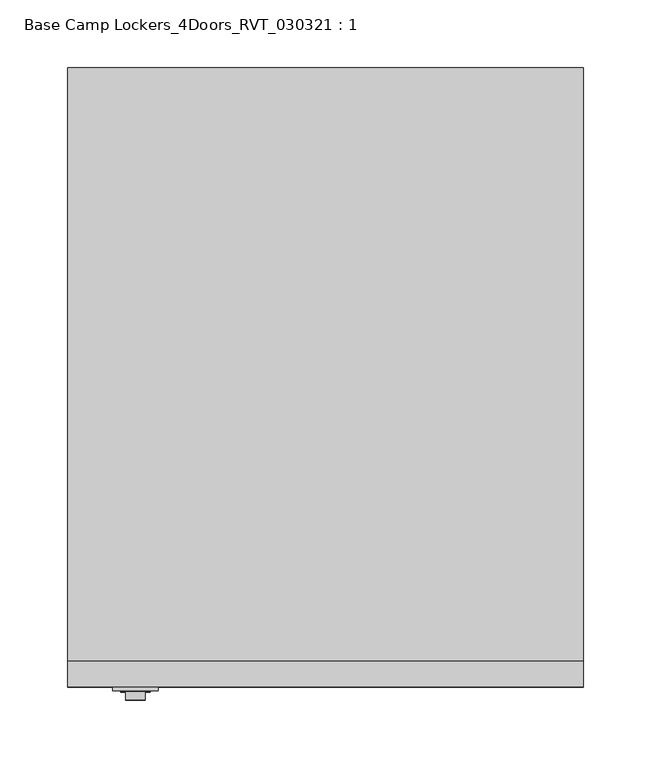
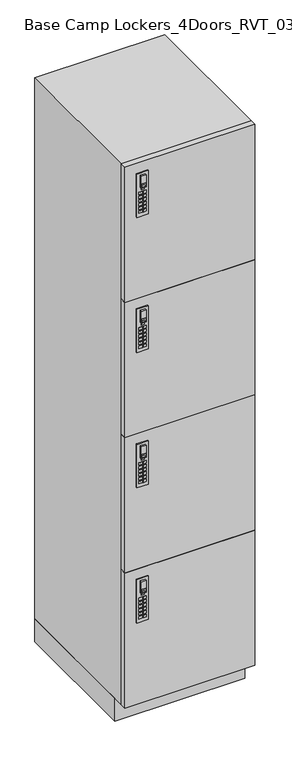
"""IFC4 building model written with IfcOpenShell, lengths in millimetres: furniture geometry, Base Camp Lockers_4Doors_RVT_030321 : 1."""

from ifc_helpers import new_model, si_unit, point, frame, frame_2d, origin, origin_with_axes, place, context, project, spatial, polyline, circle_curve, trimmed, segment, composite_curve, outline, extrude, source, transform, mapped, element, save


def base_camp_lockers_4doors_rvt_030321_1_73919dbb(model_context):
    return source(origin(), model_context, "Body", "SweptSolid", [
        extrude(outline(polyline([(-335.5659847, -459.994), (-326.1679847, -459.994), (-326.1679847, -460.8078831), (-335.5659847, -460.8078831), (-335.5659847, -459.994)])), frame((0.0, 0.0, 406.8907206), z_axis=(0.0, 0.0, 1.0), x_axis=(1.0, 0.0, 0.0)), (0.0, 0.0, 1.0), 4.8387031),
        extrude(outline(polyline([(-341.8914743, -459.994), (-331.9854743, -459.994), (-331.9854743, -460.8078831), (-341.8914743, -460.8078831), (-341.8914743, -459.994)])), frame((0.0, 0.0, 370.332), z_axis=(0.0, 0.0, 1.0), x_axis=(1.0, 0.0, 0.0)), (0.0, 0.0, 1.0), 7.874),
        extrude(outline(polyline([(-341.8914743, -459.994), (-331.9854743, -459.994), (-331.9854743, -460.8078831), (-341.8914743, -460.8078831), (-341.8914743, -459.994)])), frame((0.0, 0.0, 358.902), z_axis=(0.0, 0.0, 1.0), x_axis=(1.0, 0.0, 0.0)), (0.0, 0.0, 1.0), 7.874),
        extrude(outline(polyline([(-341.8914743, -459.994), (-331.9854743, -459.994), (-331.9854743, -460.8078831), (-341.8914743, -460.8078831), (-341.8914743, -459.994)])), frame((0.0, 0.0, 393.192), z_axis=(0.0, 0.0, 1.0), x_axis=(1.0, 0.0, 0.0)), (0.0, 0.0, 1.0), 7.874),
        extrude(outline(polyline([(-341.8914743, -459.994), (-331.9854743, -459.994), (-331.9854743, -460.8078831), (-341.8914743, -460.8078831), (-341.8914743, -459.994)])), frame((0.0, 0.0, 381.762), z_axis=(0.0, 0.0, 1.0), x_axis=(1.0, 0.0, 0.0)), (0.0, 0.0, 1.0), 7.874),
        extrude(outline(polyline([(-341.8914743, -459.994), (-331.9854743, -459.994), (-331.9854743, -460.8078831), (-341.8914743, -460.8078831), (-341.8914743, -459.994)])), frame((0.0, 0.0, 347.472), z_axis=(0.0, 0.0, 1.0), x_axis=(1.0, 0.0, 0.0)), (0.0, 0.0, 1.0), 7.874),
        extrude(outline(polyline([(-341.8914743, -459.994), (-331.9854743, -459.994), (-331.9854743, -460.8078831), (-341.8914743, -460.8078831), (-341.8914743, -459.994)])), frame((0.0, 0.0, 336.042), z_axis=(0.0, 0.0, 1.0), x_axis=(1.0, 0.0, 0.0)), (0.0, 0.0, 1.0), 7.874),
        extrude(outline(polyline([(-329.9385257, -459.994), (-320.0325257, -459.994), (-320.0325257, -460.8078831), (-329.9385257, -460.8078831), (-329.9385257, -459.994)])), frame((0.0, 0.0, 370.332), z_axis=(0.0, 0.0, 1.0), x_axis=(1.0, 0.0, 0.0)), (0.0, 0.0, 1.0), 7.874),
        extrude(outline(polyline([(-329.9385257, -459.994), (-320.0325257, -459.994), (-320.0325257, -460.8078831), (-329.9385257, -460.8078831), (-329.9385257, -459.994)])), frame((0.0, 0.0, 358.902), z_axis=(0.0, 0.0, 1.0), x_axis=(1.0, 0.0, 0.0)), (0.0, 0.0, 1.0), 7.874),
        extrude(outline(polyline([(-329.9385257, -459.994), (-320.0325257, -459.994), (-320.0325257, -460.8078831), (-329.9385257, -460.8078831), (-329.9385257, -459.994)])), frame((0.0, 0.0, 393.192), z_axis=(0.0, 0.0, 1.0), x_axis=(1.0, 0.0, 0.0)), (0.0, 0.0, 1.0), 7.874),
        extrude(outline(polyline([(-329.9385257, -459.994), (-320.0325257, -459.994), (-320.0325257, -460.8078831), (-329.9385257, -460.8078831), (-329.9385257, -459.994)])), frame((0.0, 0.0, 381.762), z_axis=(0.0, 0.0, 1.0), x_axis=(1.0, 0.0, 0.0)), (0.0, 0.0, 1.0), 7.874),
        extrude(outline(polyline([(-329.9385257, -459.994), (-320.0325257, -459.994), (-320.0325257, -460.8078831), (-329.9385257, -460.8078831), (-329.9385257, -459.994)])), frame((0.0, 0.0, 347.472), z_axis=(0.0, 0.0, 1.0), x_axis=(1.0, 0.0, 0.0)), (0.0, 0.0, 1.0), 7.874),
        extrude(outline(polyline([(-329.9385257, -459.994), (-320.0325257, -459.994), (-320.0325257, -460.8078831), (-329.9385257, -460.8078831), (-329.9385257, -459.994)])), frame((0.0, 0.0, 336.042), z_axis=(0.0, 0.0, 1.0), x_axis=(1.0, 0.0, 0.0)), (0.0, 0.0, 1.0), 7.874),
        extrude(outline(composite_curve([segment(trimmed(circle_curve(frame_2d((442.7707407, -330.962)), 3.302), [point((442.7707407, -334.264))], [point((442.7707407, -327.66))], False, "CARTESIAN"), True, "CONTINUOUS"), segment(trimmed(circle_curve(frame_2d((442.7707407, -330.962)), 3.302), [point((442.7707407, -327.66))], [point((442.7707407, -334.264))], False, "CARTESIAN"), True, "CONTINUOUS")], self_intersect=False)), frame((0.0, -461.01, 0.0), z_axis=(0.0, 1.0, 0.0), x_axis=(0.0, 0.0, 1.0)), (0.0, 0.0, 1.0), 1.016),
        extrude(outline(polyline([(453.136, -323.723), (453.136, -338.201), (416.56, -338.201), (416.56, -323.723), (453.136, -323.723)]), holes=[polyline([(419.0050696, -326.1679847), (419.0050696, -335.5659847), (429.6404975, -335.5659847), (429.6404975, -326.1679847), (419.0050696, -326.1679847)])]), frame((0.0, -466.852, 0.0), z_axis=(0.0, 1.0, 0.0), x_axis=(0.0, 0.0, 1.0)), (0.0, 0.0, 1.0), 5.842),
        extrude(outline(polyline([(-347.726, -457.2), (-314.198, -457.2), (-314.198, -459.994), (-347.726, -459.994), (-347.726, -457.2)])), frame((0.0, 0.0, 324.866), z_axis=(0.0, 0.0, 1.0), x_axis=(1.0, 0.0, 0.0)), (0.0, 0.0, 1.0), 134.62),
        extrude(outline(polyline([(-335.5659847, -459.994), (-326.1679847, -459.994), (-326.1679847, -460.8078831), (-335.5659847, -460.8078831), (-335.5659847, -459.994)])), frame((0.0, 0.0, 825.9907206), z_axis=(0.0, 0.0, 1.0), x_axis=(1.0, 0.0, 0.0)), (0.0, 0.0, 1.0), 4.8387031),
        extrude(outline(polyline([(-341.8914743, -459.994), (-331.9854743, -459.994), (-331.9854743, -460.8078831), (-341.8914743, -460.8078831), (-341.8914743, -459.994)])), frame((0.0, 0.0, 789.432), z_axis=(0.0, 0.0, 1.0), x_axis=(1.0, 0.0, 0.0)), (0.0, 0.0, 1.0), 7.874),
        extrude(outline(polyline([(-341.8914743, -459.994), (-331.9854743, -459.994), (-331.9854743, -460.8078831), (-341.8914743, -460.8078831), (-341.8914743, -459.994)])), frame((0.0, 0.0, 778.002), z_axis=(0.0, 0.0, 1.0), x_axis=(1.0, 0.0, 0.0)), (0.0, 0.0, 1.0), 7.874),
        extrude(outline(polyline([(-341.8914743, -459.994), (-331.9854743, -459.994), (-331.9854743, -460.8078831), (-341.8914743, -460.8078831), (-341.8914743, -459.994)])), frame((0.0, 0.0, 812.292), z_axis=(0.0, 0.0, 1.0), x_axis=(1.0, 0.0, 0.0)), (0.0, 0.0, 1.0), 7.874),
        extrude(outline(polyline([(-341.8914743, -459.994), (-331.9854743, -459.994), (-331.9854743, -460.8078831), (-341.8914743, -460.8078831), (-341.8914743, -459.994)])), frame((0.0, 0.0, 800.862), z_axis=(0.0, 0.0, 1.0), x_axis=(1.0, 0.0, 0.0)), (0.0, 0.0, 1.0), 7.874),
        extrude(outline(polyline([(-341.8914743, -459.994), (-331.9854743, -459.994), (-331.9854743, -460.8078831), (-341.8914743, -460.8078831), (-341.8914743, -459.994)])), frame((0.0, 0.0, 766.572), z_axis=(0.0, 0.0, 1.0), x_axis=(1.0, 0.0, 0.0)), (0.0, 0.0, 1.0), 7.874),
        extrude(outline(polyline([(-341.8914743, -459.994), (-331.9854743, -459.994), (-331.9854743, -460.8078831), (-341.8914743, -460.8078831), (-341.8914743, -459.994)])), frame((0.0, 0.0, 755.142), z_axis=(0.0, 0.0, 1.0), x_axis=(1.0, 0.0, 0.0)), (0.0, 0.0, 1.0), 7.874),
        extrude(outline(polyline([(-329.9385257, -459.994), (-320.0325257, -459.994), (-320.0325257, -460.8078831), (-329.9385257, -460.8078831), (-329.9385257, -459.994)])), frame((0.0, 0.0, 789.432), z_axis=(0.0, 0.0, 1.0), x_axis=(1.0, 0.0, 0.0)), (0.0, 0.0, 1.0), 7.874),
        extrude(outline(polyline([(-329.9385257, -459.994), (-320.0325257, -459.994), (-320.0325257, -460.8078831), (-329.9385257, -460.8078831), (-329.9385257, -459.994)])), frame((0.0, 0.0, 778.002), z_axis=(0.0, 0.0, 1.0), x_axis=(1.0, 0.0, 0.0)), (0.0, 0.0, 1.0), 7.874),
        extrude(outline(polyline([(-329.9385257, -459.994), (-320.0325257, -459.994), (-320.0325257, -460.8078831), (-329.9385257, -460.8078831), (-329.9385257, -459.994)])), frame((0.0, 0.0, 812.292), z_axis=(0.0, 0.0, 1.0), x_axis=(1.0, 0.0, 0.0)), (0.0, 0.0, 1.0), 7.874),
        extrude(outline(polyline([(-329.9385257, -459.994), (-320.0325257, -459.994), (-320.0325257, -460.8078831), (-329.9385257, -460.8078831), (-329.9385257, -459.994)])), frame((0.0, 0.0, 800.862), z_axis=(0.0, 0.0, 1.0), x_axis=(1.0, 0.0, 0.0)), (0.0, 0.0, 1.0), 7.874),
        extrude(outline(polyline([(-329.9385257, -459.994), (-320.0325257, -459.994), (-320.0325257, -460.8078831), (-329.9385257, -460.8078831), (-329.9385257, -459.994)])), frame((0.0, 0.0, 766.572), z_axis=(0.0, 0.0, 1.0), x_axis=(1.0, 0.0, 0.0)), (0.0, 0.0, 1.0), 7.874),
        extrude(outline(polyline([(-329.9385257, -459.994), (-320.0325257, -459.994), (-320.0325257, -460.8078831), (-329.9385257, -460.8078831), (-329.9385257, -459.994)])), frame((0.0, 0.0, 755.142), z_axis=(0.0, 0.0, 1.0), x_axis=(1.0, 0.0, 0.0)), (0.0, 0.0, 1.0), 7.874),
        extrude(outline(composite_curve([segment(trimmed(circle_curve(frame_2d((861.8707407, -330.962)), 3.302), [point((861.8707407, -334.264))], [point((861.8707407, -327.66))], False, "CARTESIAN"), True, "CONTINUOUS"), segment(trimmed(circle_curve(frame_2d((861.8707407, -330.962)), 3.302), [point((861.8707407, -327.66))], [point((861.8707407, -334.264))], False, "CARTESIAN"), True, "CONTINUOUS")], self_intersect=False)), frame((0.0, -461.01, 0.0), z_axis=(0.0, 1.0, 0.0), x_axis=(0.0, 0.0, 1.0)), (0.0, 0.0, 1.0), 1.016),
        extrude(outline(polyline([(872.236, -323.723), (872.236, -338.201), (835.66, -338.201), (835.66, -323.723), (872.236, -323.723)]), holes=[polyline([(838.1050696, -326.1679847), (838.1050696, -335.5659847), (848.7404975, -335.5659847), (848.7404975, -326.1679847), (838.1050696, -326.1679847)])]), frame((0.0, -466.852, 0.0), z_axis=(0.0, 1.0, 0.0), x_axis=(0.0, 0.0, 1.0)), (0.0, 0.0, 1.0), 5.842),
        extrude(outline(polyline([(-347.726, -457.2), (-314.198, -457.2), (-314.198, -459.994), (-347.726, -459.994), (-347.726, -457.2)])), frame((0.0, 0.0, 743.966), z_axis=(0.0, 0.0, 1.0), x_axis=(1.0, 0.0, 0.0)), (0.0, 0.0, 1.0), 134.62),
        extrude(outline(polyline([(-335.5659847, -459.994), (-326.1679847, -459.994), (-326.1679847, -460.8078831), (-335.5659847, -460.8078831), (-335.5659847, -459.994)])), frame((0.0, 0.0, 1245.0907206), z_axis=(0.0, 0.0, 1.0), x_axis=(1.0, 0.0, 0.0)), (0.0, 0.0, 1.0), 4.8387031),
        extrude(outline(polyline([(-341.8914743, -459.994), (-331.9854743, -459.994), (-331.9854743, -460.8078831), (-341.8914743, -460.8078831), (-341.8914743, -459.994)])), frame((0.0, 0.0, 1208.532), z_axis=(0.0, 0.0, 1.0), x_axis=(1.0, 0.0, 0.0)), (0.0, 0.0, 1.0), 7.874),
        extrude(outline(polyline([(-341.8914743, -459.994), (-331.9854743, -459.994), (-331.9854743, -460.8078831), (-341.8914743, -460.8078831), (-341.8914743, -459.994)])), frame((0.0, 0.0, 1197.102), z_axis=(0.0, 0.0, 1.0), x_axis=(1.0, 0.0, 0.0)), (0.0, 0.0, 1.0), 7.874),
        extrude(outline(polyline([(-341.8914743, -459.994), (-331.9854743, -459.994), (-331.9854743, -460.8078831), (-341.8914743, -460.8078831), (-341.8914743, -459.994)])), frame((0.0, 0.0, 1231.392), z_axis=(0.0, 0.0, 1.0), x_axis=(1.0, 0.0, 0.0)), (0.0, 0.0, 1.0), 7.874),
        extrude(outline(polyline([(-341.8914743, -459.994), (-331.9854743, -459.994), (-331.9854743, -460.8078831), (-341.8914743, -460.8078831), (-341.8914743, -459.994)])), frame((0.0, 0.0, 1219.962), z_axis=(0.0, 0.0, 1.0), x_axis=(1.0, 0.0, 0.0)), (0.0, 0.0, 1.0), 7.874),
        extrude(outline(polyline([(-341.8914743, -459.994), (-331.9854743, -459.994), (-331.9854743, -460.8078831), (-341.8914743, -460.8078831), (-341.8914743, -459.994)])), frame((0.0, 0.0, 1185.672), z_axis=(0.0, 0.0, 1.0), x_axis=(1.0, 0.0, 0.0)), (0.0, 0.0, 1.0), 7.874),
        extrude(outline(polyline([(-341.8914743, -459.994), (-331.9854743, -459.994), (-331.9854743, -460.8078831), (-341.8914743, -460.8078831), (-341.8914743, -459.994)])), frame((0.0, 0.0, 1174.242), z_axis=(0.0, 0.0, 1.0), x_axis=(1.0, 0.0, 0.0)), (0.0, 0.0, 1.0), 7.874),
        extrude(outline(polyline([(-329.9385257, -459.994), (-320.0325257, -459.994), (-320.0325257, -460.8078831), (-329.9385257, -460.8078831), (-329.9385257, -459.994)])), frame((0.0, 0.0, 1208.532), z_axis=(0.0, 0.0, 1.0), x_axis=(1.0, 0.0, 0.0)), (0.0, 0.0, 1.0), 7.874),
        extrude(outline(polyline([(-329.9385257, -459.994), (-320.0325257, -459.994), (-320.0325257, -460.8078831), (-329.9385257, -460.8078831), (-329.9385257, -459.994)])), frame((0.0, 0.0, 1197.102), z_axis=(0.0, 0.0, 1.0), x_axis=(1.0, 0.0, 0.0)), (0.0, 0.0, 1.0), 7.874),
        extrude(outline(polyline([(-329.9385257, -459.994), (-320.0325257, -459.994), (-320.0325257, -460.8078831), (-329.9385257, -460.8078831), (-329.9385257, -459.994)])), frame((0.0, 0.0, 1231.392), z_axis=(0.0, 0.0, 1.0), x_axis=(1.0, 0.0, 0.0)), (0.0, 0.0, 1.0), 7.874),
        extrude(outline(polyline([(-329.9385257, -459.994), (-320.0325257, -459.994), (-320.0325257, -460.8078831), (-329.9385257, -460.8078831), (-329.9385257, -459.994)])), frame((0.0, 0.0, 1219.962), z_axis=(0.0, 0.0, 1.0), x_axis=(1.0, 0.0, 0.0)), (0.0, 0.0, 1.0), 7.874),
        extrude(outline(polyline([(-329.9385257, -459.994), (-320.0325257, -459.994), (-320.0325257, -460.8078831), (-329.9385257, -460.8078831), (-329.9385257, -459.994)])), frame((0.0, 0.0, 1185.672), z_axis=(0.0, 0.0, 1.0), x_axis=(1.0, 0.0, 0.0)), (0.0, 0.0, 1.0), 7.874),
        extrude(outline(polyline([(-329.9385257, -459.994), (-320.0325257, -459.994), (-320.0325257, -460.8078831), (-329.9385257, -460.8078831), (-329.9385257, -459.994)])), frame((0.0, 0.0, 1174.242), z_axis=(0.0, 0.0, 1.0), x_axis=(1.0, 0.0, 0.0)), (0.0, 0.0, 1.0), 7.874),
        extrude(outline(composite_curve([segment(trimmed(circle_curve(frame_2d((1280.9707407, -330.962)), 3.302), [point((1280.9707407, -334.264))], [point((1280.9707407, -327.66))], False, "CARTESIAN"), True, "CONTINUOUS"), segment(trimmed(circle_curve(frame_2d((1280.9707407, -330.962)), 3.302), [point((1280.9707407, -327.66))], [point((1280.9707407, -334.264))], False, "CARTESIAN"), True, "CONTINUOUS")], self_intersect=False)), frame((0.0, -461.01, 0.0), z_axis=(0.0, 1.0, 0.0), x_axis=(0.0, 0.0, 1.0)), (0.0, 0.0, 1.0), 1.016),
        extrude(outline(polyline([(1291.336, -323.723), (1291.336, -338.201), (1254.76, -338.201), (1254.76, -323.723), (1291.336, -323.723)]), holes=[polyline([(1257.2050696, -326.1679847), (1257.2050696, -335.5659847), (1267.8404975, -335.5659847), (1267.8404975, -326.1679847), (1257.2050696, -326.1679847)])]), frame((0.0, -466.852, 0.0), z_axis=(0.0, 1.0, 0.0), x_axis=(0.0, 0.0, 1.0)), (0.0, 0.0, 1.0), 5.842),
        extrude(outline(polyline([(-347.726, -457.2), (-314.198, -457.2), (-314.198, -459.994), (-347.726, -459.994), (-347.726, -457.2)])), frame((0.0, 0.0, 1163.066), z_axis=(0.0, 0.0, 1.0), x_axis=(1.0, 0.0, 0.0)), (0.0, 0.0, 1.0), 134.62),
        extrude(outline(polyline([(-335.5659847, -459.994), (-326.1679847, -459.994), (-326.1679847, -460.8078831), (-335.5659847, -460.8078831), (-335.5659847, -459.994)])), frame((0.0, 0.0, 1664.1907206), z_axis=(0.0, 0.0, 1.0), x_axis=(1.0, 0.0, 0.0)), (0.0, 0.0, 1.0), 4.8387031),
        extrude(outline(polyline([(-341.8914743, -459.994), (-331.9854743, -459.994), (-331.9854743, -460.8078831), (-341.8914743, -460.8078831), (-341.8914743, -459.994)])), frame((0.0, 0.0, 1627.632), z_axis=(0.0, 0.0, 1.0), x_axis=(1.0, 0.0, 0.0)), (0.0, 0.0, 1.0), 7.874),
        extrude(outline(polyline([(-341.8914743, -459.994), (-331.9854743, -459.994), (-331.9854743, -460.8078831), (-341.8914743, -460.8078831), (-341.8914743, -459.994)])), frame((0.0, 0.0, 1616.202), z_axis=(0.0, 0.0, 1.0), x_axis=(1.0, 0.0, 0.0)), (0.0, 0.0, 1.0), 7.874),
        extrude(outline(polyline([(-341.8914743, -459.994), (-331.9854743, -459.994), (-331.9854743, -460.8078831), (-341.8914743, -460.8078831), (-341.8914743, -459.994)])), frame((0.0, 0.0, 1650.492), z_axis=(0.0, 0.0, 1.0), x_axis=(1.0, 0.0, 0.0)), (0.0, 0.0, 1.0), 7.874),
        extrude(outline(polyline([(-341.8914743, -459.994), (-331.9854743, -459.994), (-331.9854743, -460.8078831), (-341.8914743, -460.8078831), (-341.8914743, -459.994)])), frame((0.0, 0.0, 1639.062), z_axis=(0.0, 0.0, 1.0), x_axis=(1.0, 0.0, 0.0)), (0.0, 0.0, 1.0), 7.874),
        extrude(outline(polyline([(-341.8914743, -459.994), (-331.9854743, -459.994), (-331.9854743, -460.8078831), (-341.8914743, -460.8078831), (-341.8914743, -459.994)])), frame((0.0, 0.0, 1604.772), z_axis=(0.0, 0.0, 1.0), x_axis=(1.0, 0.0, 0.0)), (0.0, 0.0, 1.0), 7.874),
        extrude(outline(polyline([(-341.8914743, -459.994), (-331.9854743, -459.994), (-331.9854743, -460.8078831), (-341.8914743, -460.8078831), (-341.8914743, -459.994)])), frame((0.0, 0.0, 1593.342), z_axis=(0.0, 0.0, 1.0), x_axis=(1.0, 0.0, 0.0)), (0.0, 0.0, 1.0), 7.874),
        extrude(outline(polyline([(-329.9385257, -459.994), (-320.0325257, -459.994), (-320.0325257, -460.8078831), (-329.9385257, -460.8078831), (-329.9385257, -459.994)])), frame((0.0, 0.0, 1627.632), z_axis=(0.0, 0.0, 1.0), x_axis=(1.0, 0.0, 0.0)), (0.0, 0.0, 1.0), 7.874),
        extrude(outline(polyline([(-329.9385257, -459.994), (-320.0325257, -459.994), (-320.0325257, -460.8078831), (-329.9385257, -460.8078831), (-329.9385257, -459.994)])), frame((0.0, 0.0, 1616.202), z_axis=(0.0, 0.0, 1.0), x_axis=(1.0, 0.0, 0.0)), (0.0, 0.0, 1.0), 7.874),
        extrude(outline(polyline([(-329.9385257, -459.994), (-320.0325257, -459.994), (-320.0325257, -460.8078831), (-329.9385257, -460.8078831), (-329.9385257, -459.994)])), frame((0.0, 0.0, 1650.492), z_axis=(0.0, 0.0, 1.0), x_axis=(1.0, 0.0, 0.0)), (0.0, 0.0, 1.0), 7.874),
        extrude(outline(polyline([(-329.9385257, -459.994), (-320.0325257, -459.994), (-320.0325257, -460.8078831), (-329.9385257, -460.8078831), (-329.9385257, -459.994)])), frame((0.0, 0.0, 1639.062), z_axis=(0.0, 0.0, 1.0), x_axis=(1.0, 0.0, 0.0)), (0.0, 0.0, 1.0), 7.874),
        extrude(outline(polyline([(-329.9385257, -459.994), (-320.0325257, -459.994), (-320.0325257, -460.8078831), (-329.9385257, -460.8078831), (-329.9385257, -459.994)])), frame((0.0, 0.0, 1604.772), z_axis=(0.0, 0.0, 1.0), x_axis=(1.0, 0.0, 0.0)), (0.0, 0.0, 1.0), 7.874),
        extrude(outline(polyline([(-329.9385257, -459.994), (-320.0325257, -459.994), (-320.0325257, -460.8078831), (-329.9385257, -460.8078831), (-329.9385257, -459.994)])), frame((0.0, 0.0, 1593.342), z_axis=(0.0, 0.0, 1.0), x_axis=(1.0, 0.0, 0.0)), (0.0, 0.0, 1.0), 7.874),
        extrude(outline(composite_curve([segment(trimmed(circle_curve(frame_2d((1700.0707407, -330.962)), 3.302), [point((1700.0707407, -334.264))], [point((1700.0707407, -327.66))], False, "CARTESIAN"), True, "CONTINUOUS"), segment(trimmed(circle_curve(frame_2d((1700.0707407, -330.962)), 3.302), [point((1700.0707407, -327.66))], [point((1700.0707407, -334.264))], False, "CARTESIAN"), True, "CONTINUOUS")], self_intersect=False)), frame((0.0, -461.01, 0.0), z_axis=(0.0, 1.0, 0.0), x_axis=(0.0, 0.0, 1.0)), (0.0, 0.0, 1.0), 1.016),
        extrude(outline(polyline([(1710.436, -323.723), (1710.436, -338.201), (1673.86, -338.201), (1673.86, -323.723), (1710.436, -323.723)]), holes=[polyline([(1676.3050696, -326.1679847), (1676.3050696, -335.5659847), (1686.9404975, -335.5659847), (1686.9404975, -326.1679847), (1676.3050696, -326.1679847)])]), frame((0.0, -466.852, 0.0), z_axis=(0.0, 1.0, 0.0), x_axis=(0.0, 0.0, 1.0)), (0.0, 0.0, 1.0), 5.842),
        extrude(outline(polyline([(-347.726, -457.2), (-314.198, -457.2), (-314.198, -459.994), (-347.726, -459.994), (-347.726, -457.2)])), frame((0.0, 0.0, 1582.166), z_axis=(0.0, 0.0, 1.0), x_axis=(1.0, 0.0, 0.0)), (0.0, 0.0, 1.0), 134.62),
        extrude(outline(polyline([(-381.0, -438.15), (0.0, -438.15), (0.0, -457.2), (-381.0, -457.2), (-381.0, -438.15)])), frame((0.0, 0.0, 71.12), z_axis=(0.0, 0.0, 1.0), x_axis=(1.0, 0.0, 0.0)), (0.0, 0.0, 1.0), 419.1),
        extrude(outline(polyline([(-381.0, -438.15), (0.0, -438.15), (0.0, -457.2), (-381.0, -457.2), (-381.0, -438.15)])), frame((0.0, 0.0, 490.22), z_axis=(0.0, 0.0, 1.0), x_axis=(1.0, 0.0, 0.0)), (0.0, 0.0, 1.0), 419.1),
        extrude(outline(polyline([(-381.0, -438.15), (0.0, -438.15), (0.0, -457.2), (-381.0, -457.2), (-381.0, -438.15)])), frame((0.0, 0.0, 909.32), z_axis=(0.0, 0.0, 1.0), x_axis=(1.0, 0.0, 0.0)), (0.0, 0.0, 1.0), 419.1),
        extrude(outline(polyline([(-381.0, -438.15), (0.0, -438.15), (0.0, -457.2), (-381.0, -457.2), (-381.0, -438.15)])), frame((0.0, 0.0, 1328.42), z_axis=(0.0, 0.0, 1.0), x_axis=(1.0, 0.0, 0.0)), (0.0, 0.0, 1.0), 419.1),
        extrude(outline(polyline([(0.0, 0.0), (0.0, -438.15), (-381.0, -438.15), (-381.0, 0.0), (0.0, 0.0)])), frame((0.0, 0.0, 71.12), z_axis=(0.0, 0.0, 1.0), x_axis=(1.0, 0.0, 0.0)), (0.0, 0.0, 1.0), 1676.4),
        extrude(outline(polyline([(0.0, -406.4), (-381.0, -406.4), (-381.0, 0.0), (0.0, 0.0), (0.0, -406.4)])), origin_with_axes(), (0.0, 0.0, 1.0), 71.12),
    ])


if __name__ == "__main__":
    model = new_model("IFC4")
    model_context = context("Model", 3, world=origin())
    ifc_project = project(units=[si_unit("LENGTHUNIT", "METRE", prefix="MILLI")], contexts=[model_context])
    site = spatial("IfcSite", under=ifc_project)
    building = spatial("IfcBuilding", under=site)
    placement = place(None, origin())
    base_camp_lockers_4doors_rvt_030321_1_shape = base_camp_lockers_4doors_rvt_030321_1_73919dbb(model_context)
    element("IfcFurniture", 1, ObjectType="Base Camp Lockers_4Doors_RVT_030321 : 1", at=placement, inside=building, context=model_context, shape_type="MappedRepresentation", body=[
        mapped(base_camp_lockers_4doors_rvt_030321_1_shape, transform((0.0, 0.0, 0.0), x_axis=(1.0, 0.0, 0.0), y_axis=(0.0, 1.0, 0.0), z_axis=(0.0, 0.0, 1.0))),
    ])
    save(model, "model.ifc")
